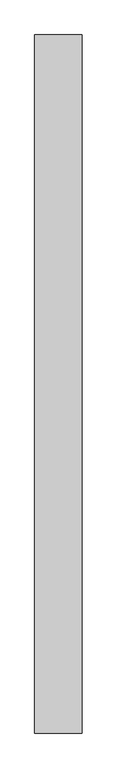
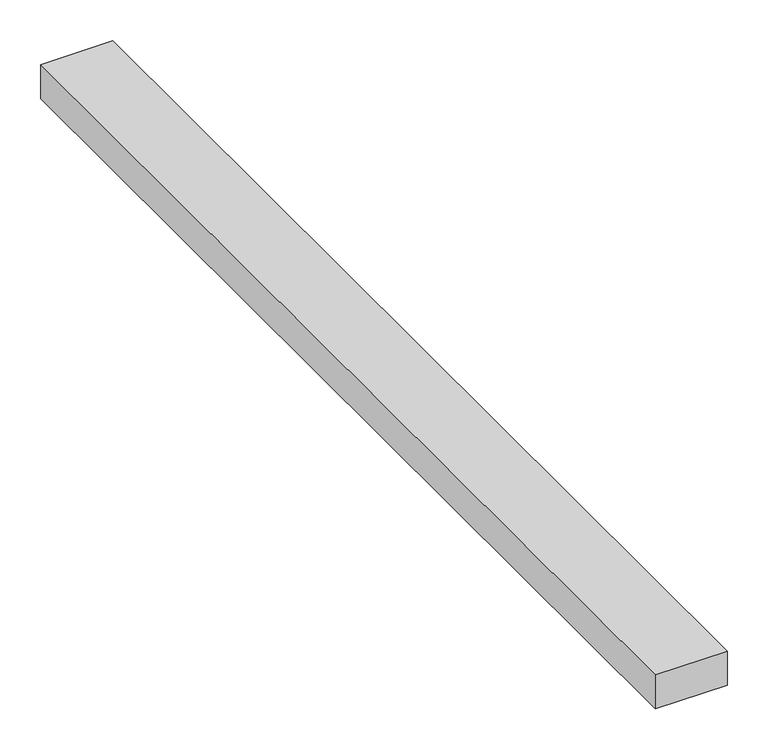
"""IFC4 building model written with IfcOpenShell, lengths in millimetres: proxy geometry."""

from ifc_helpers import new_model, si_unit, origin, origin_with_axes, place, context, project, spatial, polyline, outline, extrude, source, transform, mapped, element, save


def generic_models_e3baf627(model_context):
    return source(origin(), model_context, "Body", "SweptSolid", [
        extrude(outline(polyline([(101.6, 0.0), (0.0, 0.0), (0.0, 1500.0), (101.6, 1500.0), (101.6, 0.0)])), origin_with_axes(), (0.0, 0.0, 1.0), 50.8),
    ])


if __name__ == "__main__":
    model = new_model("IFC4")
    model_context = context("Model", 3, world=origin())
    ifc_project = project(units=[si_unit("LENGTHUNIT", "METRE", prefix="MILLI")], contexts=[model_context])
    site = spatial("IfcSite", under=ifc_project)
    building = spatial("IfcBuilding", under=site)
    placement = place(None, origin())
    generic_models_shape = generic_models_e3baf627(model_context)
    element("IfcBuildingElementProxy", 1, Name="Generic Models", at=placement, inside=building, context=model_context, shape_type="MappedRepresentation", body=[
        mapped(generic_models_shape, transform((0.0, 0.0, 0.0), x_axis=(1.0, 0.0, 0.0), y_axis=(0.0, 1.0, 0.0), z_axis=(0.0, 0.0, 1.0))),
    ])
    save(model, "model.ifc")
